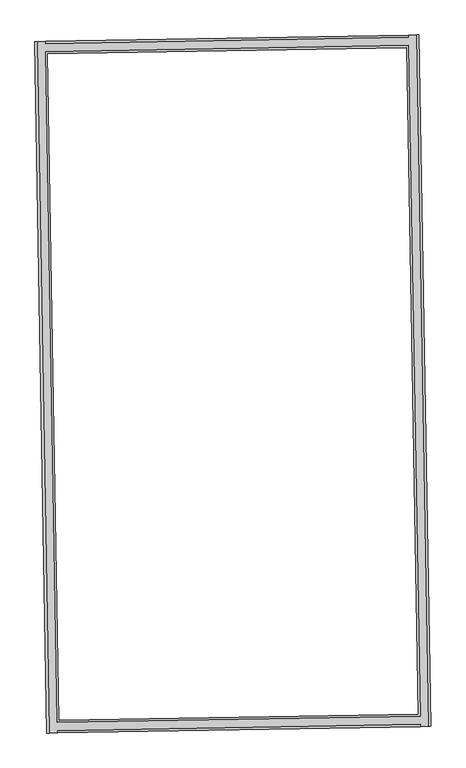
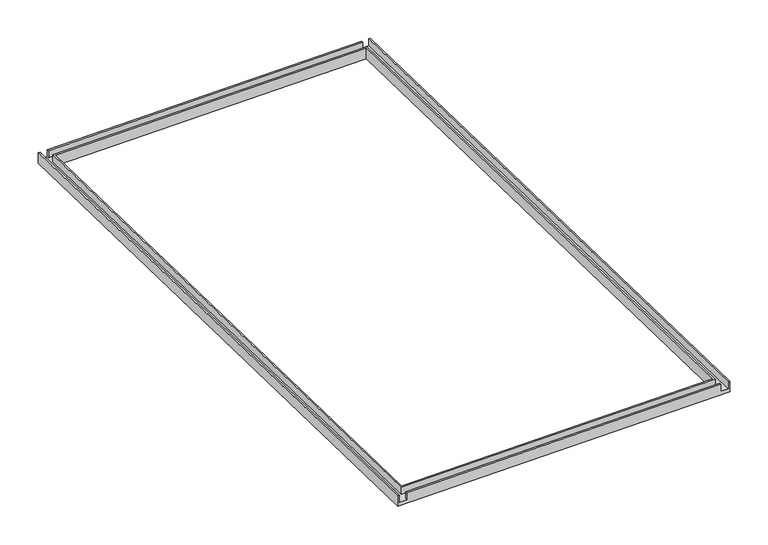
"""IFC4 building model written with IfcOpenShell, lengths in millimetres: proxy geometry."""

from ifc_helpers import new_model, si_unit, origin, place, context, project, spatial, faceted_brep, source, transform, mapped, element, save


def generic_models_ec6a1dd5(model_context):
    return source(origin(), model_context, "Body", "Brep", [
        faceted_brep([(57369.4505706, -19136.5676723, 10560.7660191), (57369.4505706, -19136.5676723, 9960.7660191), (74627.0933323, -18835.3343974, 9960.7660191), (74627.0933323, -18835.3343974, 10560.7660191), (74725.3328612, -18733.6043872, 10560.7660191), (74725.3328612, -18733.6043872, 10160.7660191), (57276.8737679, -19038.1683736, 10160.7660191), (57276.8737679, -19038.1683736, 10560.7660191), (56860.8005198, -18645.3700279, 10560.7660191), (56860.8005198, -18645.3700279, 10160.7660191), (56869.9537272, -18645.2102581, 10160.7660191), (56869.9537272, -18645.2102581, 10560.7660191), (57269.8928053, -18638.2292955, 10160.7660191), (74727.5051061, -18333.5055393, 10160.7660191), (74727.5051061, -18333.5055393, 10560.7660191), (57269.8928053, -18638.2292955, 10560.7660191), (56759.0705096, -18547.130499, 9960.7660191), (56759.0705096, -18547.130499, 10560.7660191), (56868.2084866, -18545.2254886, 10560.7660191), (56868.2084866, -18545.2254886, 10160.7660191), (57268.1475646, -18538.244526, 10160.7660191), (57268.1475646, -18538.244526, 10560.7660191), (74725.7598654, -18233.5207698, 10560.7660191), (74725.7598654, -18233.5207698, 10160.7660191), (75125.6989435, -18226.5398072, 10160.7660191), (75125.6989435, -18226.5398072, 10560.7660191), (75216.5305055, -18224.9543364, 10560.7660191), (75216.5305055, -18224.9543364, 9960.7660191), (75185.9716542, -50853.4520162, 9960.7660191), (75185.9716542, -50853.4520162, 10560.7660191), (75287.7016644, -50951.691545, 10560.7660191), (75287.7016644, -50951.691545, 10160.7660191), (75796.3517152, -51442.8891894, 10560.7660191), (75796.3517152, -51442.8891894, 9960.7660191), (57928.3288925, -51154.6852911, 9960.7660191), (57928.3288925, -51154.6852911, 10560.7660191), (57839.242571, -51256.2555314, 10560.7660191), (57839.242571, -51256.2555314, 10160.7660191), (57437.1312481, -51663.3353419, 10160.7660191), (57437.1312481, -51663.3353419, 10560.7660191), (57446.2844556, -51663.175572, 10560.7660191), (57446.2844556, -51663.175572, 10160.7660191), (75303.8358344, -51351.4708533, 10160.7660191), (57846.2235336, -51656.1946095, 10160.7660191), (57846.2235336, -51656.1946095, 10560.7660191), (75303.8358344, -51351.4708533, 10560.7660191), (75705.5201531, -51444.4746602, 10560.7660191), (75705.5201531, -51444.4746602, 10160.7660191), (75305.581075, -51451.4556228, 10160.7660191), (75305.581075, -51451.4556228, 10560.7660191), (57847.9687743, -51756.179379, 10560.7660191), (57847.9687743, -51756.179379, 10160.7660191), (57448.0296962, -51763.1603416, 10160.7660191), (57448.0296962, -51763.1603416, 10560.7660191), (57338.8917192, -51765.065352, 10560.7660191), (57338.8917192, -51765.065352, 9960.7660191)], [[[0, 1, 2, 3]], [[4, 5, 6, 7]], [[8, 9, 10, 11]], [[12, 13, 14, 15]], [[16, 17, 18, 19, 20, 21, 22, 23, 24, 25, 26, 27]], [[3, 2, 28, 29]], [[5, 4, 30, 31]], [[27, 26, 32, 33]], [[29, 28, 34, 35]], [[31, 30, 36, 37]], [[38, 39, 40, 41]], [[42, 43, 44, 45]], [[33, 32, 46, 47, 48, 49, 50, 51, 52, 53, 54, 55]], [[1, 0, 35, 34]], [[30, 4, 7, 36], [0, 3, 29, 35]], [[9, 38, 41, 52, 51, 43, 42, 48, 47, 24, 23, 13, 12, 20, 19, 10], [5, 31, 37, 6]], [[9, 8, 39, 38]], [[32, 26, 25, 46]], [[39, 8, 11, 18, 17, 54, 53, 40]], [[50, 49, 45, 44]], [[22, 21, 15, 14]], [[17, 16, 55, 54]], [[16, 27, 33, 55], [2, 1, 34, 28]], [[52, 41, 40, 53]], [[10, 19, 18, 11]], [[6, 37, 36, 7]], [[43, 51, 50, 44]], [[20, 12, 15, 21]], [[48, 42, 45, 49]], [[13, 23, 22, 14]], [[24, 47, 46, 25]]]),
    ])


if __name__ == "__main__":
    model = new_model("IFC4")
    model_context = context("Model", 3, world=origin())
    ifc_project = project(units=[si_unit("LENGTHUNIT", "METRE", prefix="MILLI")], contexts=[model_context])
    site = spatial("IfcSite", under=ifc_project)
    building = spatial("IfcBuilding", under=site)
    placement = place(None, origin())
    generic_models_shape = generic_models_ec6a1dd5(model_context)
    element("IfcBuildingElementProxy", 1, Name="Generic Models", at=placement, inside=building, context=model_context, shape_type="MappedRepresentation", body=[
        mapped(generic_models_shape, transform((0.0, 0.0, 0.0), x_axis=(1.0, 0.0, 0.0), y_axis=(0.0, 1.0, 0.0), z_axis=(0.0, 0.0, 1.0))),
    ])
    save(model, "model.ifc")
